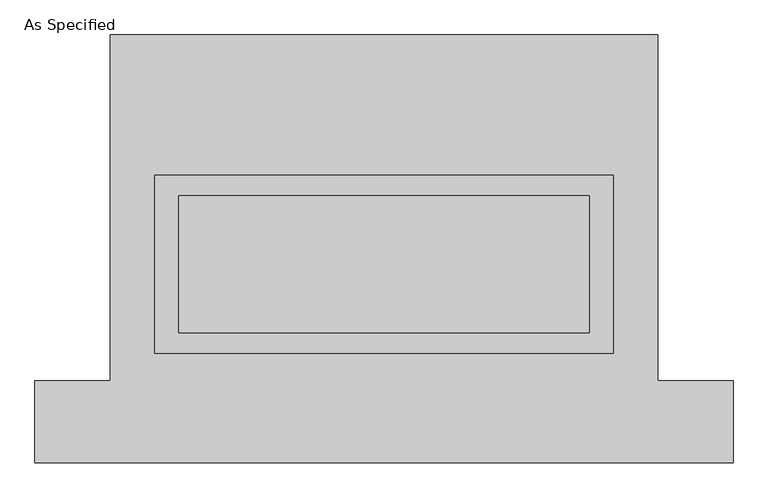
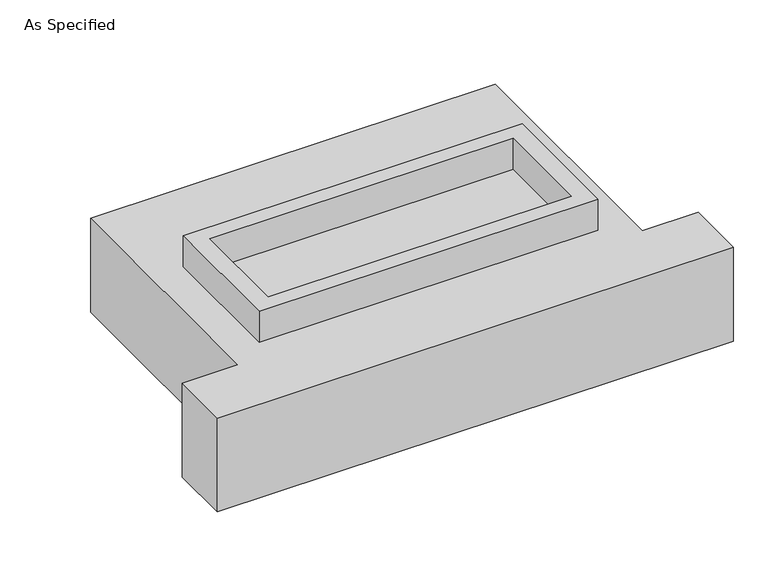
"""IFC4 building model written with IfcOpenShell, lengths in millimetres: proxy geometry, As Specified."""

from ifc_helpers import new_model, si_unit, frame, origin, place, context, project, spatial, polyline, outline, extrude, source, transform, mapped, element, save


def as_specified_180c9932(model_context):
    return source(origin(), model_context, "Body", "SweptSolid", [
        extrude(outline(polyline([(850.9, 273.05), (850.9, -387.35), (-850.9, -387.35), (-850.9, 273.05), (850.9, 273.05)]), holes=[polyline([(762.0, 196.85), (-762.0, 196.85), (-762.0, -311.15), (762.0, -311.15), (762.0, 196.85)])]), frame((0.0, 0.0, -688.975), z_axis=(0.0, 0.0, 1.0), x_axis=(1.0, 0.0, 0.0)), (0.0, 0.0, 1.0), 165.1),
        extrude(outline(polyline([(850.9, 273.05), (850.9, -387.35), (-850.9, -387.35), (-850.9, 273.05), (850.9, 273.05)]), holes=[polyline([(762.0, 196.85), (-762.0, 196.85), (-762.0, -311.15), (762.0, -311.15), (762.0, 196.85)])]), frame((0.0, 0.0, -25.4), z_axis=(0.0, 0.0, 1.0), x_axis=(1.0, 0.0, 0.0)), (0.0, 0.0, 1.0), 165.1),
        extrude(outline(polyline([(762.0, 196.85), (762.0, -311.15), (-762.0, -311.15), (-762.0, 196.85), (762.0, 196.85)])), frame((0.0, 0.0, -523.875), z_axis=(0.0, 0.0, 1.0), x_axis=(1.0, 0.0, 0.0)), (0.0, 0.0, 1.0), 4.9609375),
        extrude(outline(polyline([(762.0, 196.85), (762.0, -311.15), (-762.0, -311.15), (-762.0, 196.85), (762.0, 196.85)])), frame((0.0, 0.0, -30.3609375), z_axis=(0.0, 0.0, 1.0), x_axis=(1.0, 0.0, 0.0)), (0.0, 0.0, 1.0), 4.9609375),
        extrude(outline(polyline([(-1016.0, 793.75), (1016.0, 793.75), (1016.0, -488.95), (1295.4, -488.95), (1295.4, -793.75), (-1295.4, -793.75), (-1295.4, -488.95), (-1016.0, -488.95), (-1016.0, 793.75)]), holes=[polyline([(-850.9, 273.05), (-850.9, -387.35), (850.9, -387.35), (850.9, 273.05), (-850.9, 273.05)])]), frame((0.0, 0.0, -523.875), z_axis=(0.0, 0.0, 1.0), x_axis=(1.0, 0.0, 0.0)), (0.0, 0.0, 1.0), 498.475),
    ])


if __name__ == "__main__":
    model = new_model("IFC4")
    model_context = context("Model", 3, world=origin())
    ifc_project = project(units=[si_unit("LENGTHUNIT", "METRE", prefix="MILLI")], contexts=[model_context])
    site = spatial("IfcSite", under=ifc_project)
    building = spatial("IfcBuilding", under=site)
    placement = place(None, origin())
    as_specified_shape = as_specified_180c9932(model_context)
    element("IfcBuildingElementProxy", 1, Name="As Specified", ObjectType="As Specified", at=placement, inside=building, context=model_context, shape_type="MappedRepresentation", body=[
        mapped(as_specified_shape, transform((0.0, 0.0, 0.0), x_axis=(1.0, 0.0, 0.0), y_axis=(0.0, 1.0, 0.0), z_axis=(0.0, 0.0, 1.0))),
    ])
    save(model, "model.ifc")
